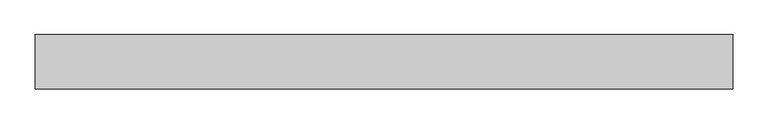
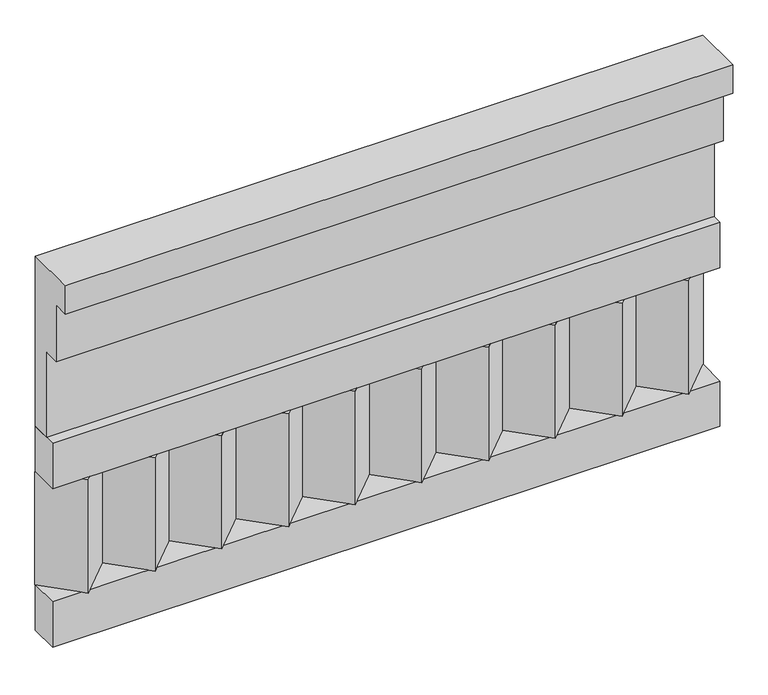
"""IFC4 building model written with IfcOpenShell, lengths in millimetres: railing geometry."""

from ifc_helpers import new_model, si_unit, frame, origin, place, context, project, spatial, polyline, outline, extrude, source, transform, mapped, element, save


def railing_326d6756(model_context):
    return source(origin(), model_context, "Body", "SweptSolid", [
        extrude(outline(polyline([(-16816.8920513, 15205.0), (-16816.8920513, 14755.0), (-16866.8920513, 14755.0), (-16866.8920513, 14980.0), (-16906.8920513, 14980.0), (-16906.8920513, 15130.0), (-16946.8920513, 15130.0), (-16946.8920513, 15205.0), (-16816.8920513, 15205.0)])), frame((26190.0112841, 0.0, 0.0), z_axis=(1.0, 0.0, 0.0), x_axis=(0.0, 1.0, 0.0)), (0.0, 0.0, 1.0), 1670.0),
        extrude(outline(polyline([(26190.0112841, -16891.8920513), (26190.0112841, -16816.8920513), (27860.0112841, -16816.8920513), (27860.0112841, -16891.8920513), (26190.0112841, -16891.8920513)])), frame((0.0, 0.0, 14635.0), z_axis=(0.0, 0.0, 1.0), x_axis=(1.0, 0.0, 0.0)), (0.0, 0.0, 1.0), 120.0),
        extrude(outline(polyline([(26190.0112841, -16891.8920513), (26190.0112841, -16816.8920513), (27860.0112841, -16816.8920513), (27860.0112841, -16891.8920513), (26190.0112841, -16891.8920513)])), frame((0.0, 0.0, 14215.0), z_axis=(0.0, 0.0, 1.0), x_axis=(1.0, 0.0, 0.0)), (0.0, 0.0, 1.0), 120.0),
        extrude(outline(polyline([(27776.5112841, -16901.7448651), (27691.6584704, -16816.8920513), (27861.3640978, -16816.8920513), (27776.5112841, -16901.7448651)])), frame((0.0, 0.0, 14335.0), z_axis=(0.0, 0.0, 1.0), x_axis=(1.0, 0.0, 0.0)), (0.0, 0.0, 1.0), 300.0),
        extrude(outline(polyline([(27609.5112841, -16901.7448651), (27524.6584704, -16816.8920513), (27694.3640978, -16816.8920513), (27609.5112841, -16901.7448651)])), frame((0.0, 0.0, 14335.0), z_axis=(0.0, 0.0, 1.0), x_axis=(1.0, 0.0, 0.0)), (0.0, 0.0, 1.0), 300.0),
        extrude(outline(polyline([(27442.5112841, -16901.7448651), (27357.6584704, -16816.8920513), (27527.3640978, -16816.8920513), (27442.5112841, -16901.7448651)])), frame((0.0, 0.0, 14335.0), z_axis=(0.0, 0.0, 1.0), x_axis=(1.0, 0.0, 0.0)), (0.0, 0.0, 1.0), 300.0),
        extrude(outline(polyline([(27275.5112841, -16901.7448651), (27190.6584704, -16816.8920513), (27360.3640978, -16816.8920513), (27275.5112841, -16901.7448651)])), frame((0.0, 0.0, 14335.0), z_axis=(0.0, 0.0, 1.0), x_axis=(1.0, 0.0, 0.0)), (0.0, 0.0, 1.0), 300.0),
        extrude(outline(polyline([(27108.5112841, -16901.7448651), (27023.6584704, -16816.8920513), (27193.3640978, -16816.8920513), (27108.5112841, -16901.7448651)])), frame((0.0, 0.0, 14335.0), z_axis=(0.0, 0.0, 1.0), x_axis=(1.0, 0.0, 0.0)), (0.0, 0.0, 1.0), 300.0),
        extrude(outline(polyline([(26941.5112841, -16901.7448651), (26856.6584704, -16816.8920513), (27026.3640978, -16816.8920513), (26941.5112841, -16901.7448651)])), frame((0.0, 0.0, 14335.0), z_axis=(0.0, 0.0, 1.0), x_axis=(1.0, 0.0, 0.0)), (0.0, 0.0, 1.0), 300.0),
        extrude(outline(polyline([(26774.5112841, -16901.7448651), (26689.6584704, -16816.8920513), (26859.3640978, -16816.8920513), (26774.5112841, -16901.7448651)])), frame((0.0, 0.0, 14335.0), z_axis=(0.0, 0.0, 1.0), x_axis=(1.0, 0.0, 0.0)), (0.0, 0.0, 1.0), 300.0),
        extrude(outline(polyline([(26607.5112841, -16901.7448651), (26522.6584704, -16816.8920513), (26692.3640978, -16816.8920513), (26607.5112841, -16901.7448651)])), frame((0.0, 0.0, 14335.0), z_axis=(0.0, 0.0, 1.0), x_axis=(1.0, 0.0, 0.0)), (0.0, 0.0, 1.0), 300.0),
        extrude(outline(polyline([(26440.5112841, -16901.7448651), (26355.6584704, -16816.8920513), (26525.3640978, -16816.8920513), (26440.5112841, -16901.7448651)])), frame((0.0, 0.0, 14335.0), z_axis=(0.0, 0.0, 1.0), x_axis=(1.0, 0.0, 0.0)), (0.0, 0.0, 1.0), 300.0),
        extrude(outline(polyline([(26273.5112841, -16901.7448651), (26188.6584704, -16816.8920513), (26358.3640978, -16816.8920513), (26273.5112841, -16901.7448651)])), frame((0.0, 0.0, 14335.0), z_axis=(0.0, 0.0, 1.0), x_axis=(1.0, 0.0, 0.0)), (0.0, 0.0, 1.0), 300.0),
    ])


if __name__ == "__main__":
    model = new_model("IFC4")
    model_context = context("Model", 3, world=origin())
    ifc_project = project(units=[si_unit("LENGTHUNIT", "METRE", prefix="MILLI")], contexts=[model_context])
    site = spatial("IfcSite", under=ifc_project)
    building = spatial("IfcBuilding", under=site)
    placement = place(None, origin())
    railing_shape = railing_326d6756(model_context)
    element("IfcRailing", 1, at=placement, inside=building, context=model_context, shape_type="MappedRepresentation", body=[
        mapped(railing_shape, transform((0.0, 0.0, 0.0), x_axis=(1.0, 0.0, 0.0), y_axis=(0.0, 1.0, 0.0), z_axis=(0.0, 0.0, 1.0))),
    ])
    save(model, "model.ifc")
